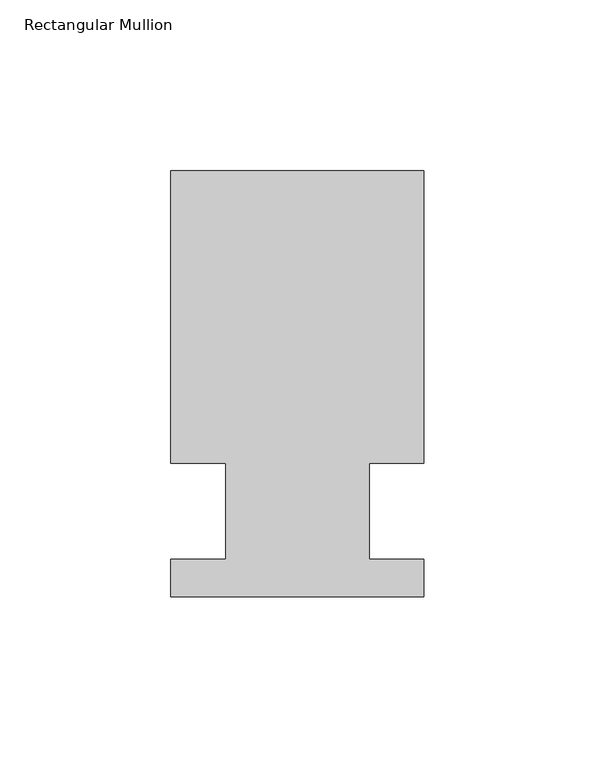
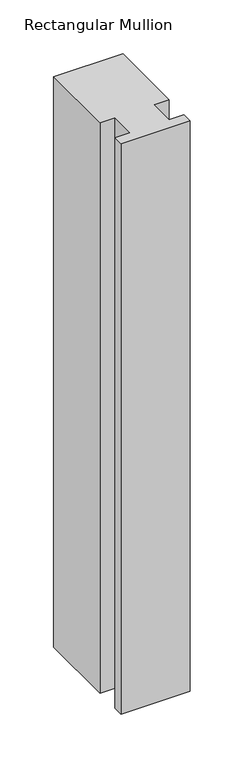
"""IFC4 building model written with IfcOpenShell, lengths in millimetres: member geometry, Rectangular Mullion."""

from ifc_helpers import new_model, si_unit, frame, origin, place, context, project, spatial, polyline, outline, extrude, source, transform, mapped, element, save


def rectangular_mullion_ae51a32c(model_context):
    return source(origin(), model_context, "Body", "SweptSolid", [
        extrude(outline(polyline([(-20.9800745, 13.9998907), (-37.0, 13.9998907), (-37.0, 99.5), (37.0, 99.5), (37.0, 13.9998907), (20.9800745, 13.9998907), (20.9800745, -14.0), (36.9800745, -14.0), (36.9800745, -25.0), (-37.0, -25.0), (-37.0, -14.0), (-20.9800745, -14.0), (-20.9800745, 13.9998907)])), frame((0.0, 0.0, -645.5615776), z_axis=(0.0, 0.0, 1.0), x_axis=(1.0, 0.0, 0.0)), (0.0, 0.0, 1.0), 645.5615776),
    ])


if __name__ == "__main__":
    model = new_model("IFC4")
    model_context = context("Model", 3, world=origin())
    ifc_project = project(units=[si_unit("LENGTHUNIT", "METRE", prefix="MILLI")], contexts=[model_context])
    site = spatial("IfcSite", under=ifc_project)
    building = spatial("IfcBuilding", under=site)
    placement = place(None, origin())
    rectangular_mullion_shape = rectangular_mullion_ae51a32c(model_context)
    element("IfcMember", 1, ObjectType="Rectangular Mullion", at=placement, inside=building, context=model_context, shape_type="MappedRepresentation", body=[
        mapped(rectangular_mullion_shape, transform((0.0, 0.0, 0.0), x_axis=(1.0, 0.0, 0.0), y_axis=(0.0, 1.0, 0.0), z_axis=(0.0, 0.0, 1.0))),
    ])
    save(model, "model.ifc")
